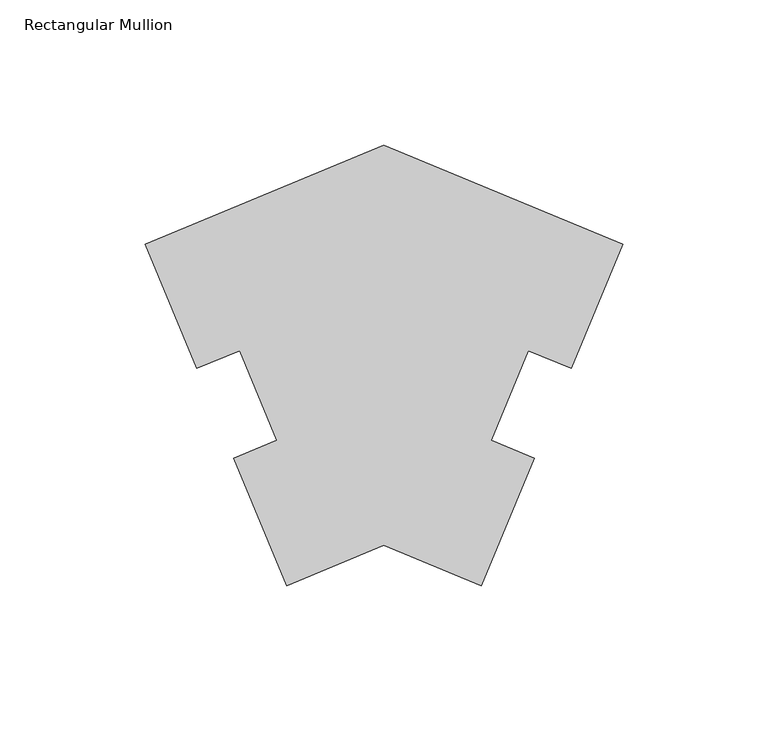
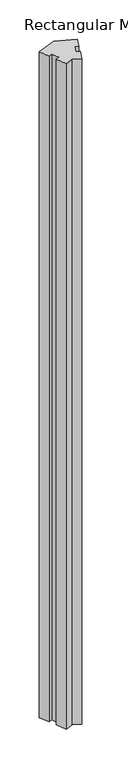
"""IFC4 building model written with IfcOpenShell, lengths in millimetres: member geometry, Rectangular Mullion."""

from ifc_helpers import new_model, si_unit, frame, origin, place, context, project, spatial, polyline, outline, extrude, source, transform, mapped, element, save


def rectangular_mullion_36bc604c(model_context):
    return source(origin(), model_context, "Body", "SweptSolid", [
        extrude(outline(polyline([(-81.9882458, 0.0), (0.0, -33.9606434), (-17.662736, -76.6391628), (-32.3431007, -70.5973509), (-45.0854088, -101.3866264), (-30.4171875, -107.4577808), (-48.564922, -151.3082035), (-81.9882458, -137.4638094), (-115.4115724, -151.3082046), (-133.550369, -107.4540826), (-118.8821472, -101.382928), (-131.6181671, -70.5910853), (-146.2985261, -76.6328949), (-163.9525783, -33.9507381), (-81.9882458, 0.0)])), frame((0.0, 0.0, -3048.0), z_axis=(0.0, 0.0, 1.0), x_axis=(1.0, 0.0, 0.0)), (0.0, 0.0, 1.0), 3048.0),
    ])


if __name__ == "__main__":
    model = new_model("IFC4")
    model_context = context("Model", 3, world=origin())
    ifc_project = project(units=[si_unit("LENGTHUNIT", "METRE", prefix="MILLI")], contexts=[model_context])
    site = spatial("IfcSite", under=ifc_project)
    building = spatial("IfcBuilding", under=site)
    placement = place(None, origin())
    rectangular_mullion_shape = rectangular_mullion_36bc604c(model_context)
    element("IfcMember", 1, ObjectType="Rectangular Mullion", at=placement, inside=building, context=model_context, shape_type="MappedRepresentation", body=[
        mapped(rectangular_mullion_shape, transform((0.0, 0.0, 0.0), x_axis=(1.0, 0.0, 0.0), y_axis=(0.0, 1.0, 0.0), z_axis=(0.0, 0.0, 1.0))),
    ])
    save(model, "model.ifc")
